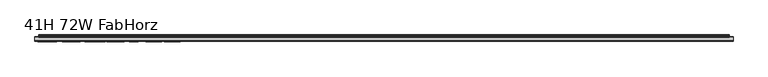
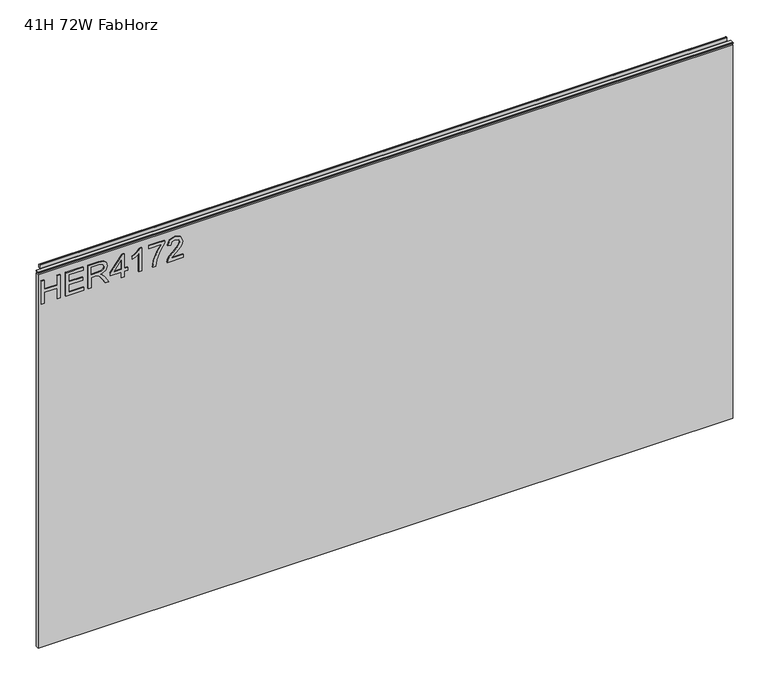
"""IFC4 building model written with IfcOpenShell, lengths in millimetres: furniture geometry, 41H 72W FabHorz."""

import ifcopenshell
import ifcopenshell.guid

model = None  # the IFC model being written
_history = None  # IfcOwnerHistory: only IFC2X3 demands one
_inside = {}  # id of a spatial element -> (the spatial element, [elements in it])
_under = {}  # id of a project, library or spatial element -> (it, [spatial elements below it])
_declared = {}  # id of a project -> (the project, [libraries it declares])
_typed = {}  # id of a type object -> (the type object, [elements of that type])
_made_of = {}  # id of a material, layer set ... -> (it, [elements and type objects made of it])


def new_model(schema):
    """Start an empty IFC model of exactly this schema.

    Asked for "IFC4X3", IfcOpenShell would pick the latest addendum, in which some entities
    have other attributes; the version numbers below select the first issue.
    IFC2X3 requires an IfcOwnerHistory on every rooted entity: one is made here for all.
    """
    global model, _history
    if schema == "IFC4X3":
        model = ifcopenshell.file(schema_version=(4, 3, 0, 0))
    else:
        model = ifcopenshell.file(schema=schema)
    _inside.clear()
    _under.clear()
    _declared.clear()
    _typed.clear()
    _made_of.clear()
    _history = None
    if model.schema == "IFC2X3":
        org = make("IfcOrganization", Name="unknown")
        user = make(
            "IfcPersonAndOrganization",
            ThePerson=make("IfcPerson", FamilyName="unknown"),
            TheOrganization=org,
        )
        app = make(
            "IfcApplication",
            ApplicationDeveloper=org,
            Version="unknown",
            ApplicationFullName="unknown",
            ApplicationIdentifier="unknown",
        )
        _history = make(
            "IfcOwnerHistory",
            OwningUser=user,
            OwningApplication=app,
            ChangeAction="ADDED",
            CreationDate=0,
        )
    return model


def make(cls, **values):
    """One entity of the class cls with the attributes given. An attribute that is None is left unset."""
    return model.create_entity(
        cls, **{name: value for name, value in values.items() if value is not None}
    )


def rooted(cls, **values):
    """An entity with a GlobalId (a new one), such as an element, a storey or a relation."""
    return make(cls, GlobalId=ifcopenshell.guid.new(), OwnerHistory=_history, **values)


def si_unit(unit_type, name, prefix=None):
    """IfcSIUnit, for example si_unit("LENGTHUNIT", "METRE", prefix="MILLI")."""
    return make("IfcSIUnit", UnitType=unit_type, Prefix=prefix, Name=name)


def assignment(units):
    """IfcUnitAssignment: the units of a project."""
    return None if units is None else make("IfcUnitAssignment", Units=units)


def point(xyz):
    """IfcCartesianPoint."""
    return None if xyz is None else make("IfcCartesianPoint", Coordinates=xyz)


def direction(xyz):
    """IfcDirection."""
    return None if xyz is None else make("IfcDirection", DirectionRatios=xyz)


def frame(location, z_axis=None, x_axis=None):
    """IfcAxis2Placement3D, a coordinate frame: its origin and axes. An axis left out is left unset."""
    return make(
        "IfcAxis2Placement3D",
        Location=point(location),
        Axis=direction(z_axis),
        RefDirection=direction(x_axis),
    )


def origin():
    """The frame at (0, 0, 0) with its axes left unset."""
    return frame((0.0, 0.0, 0.0))


def place(relative_to, where):
    """IfcLocalPlacement: puts the frame where relative to a parent placement (None: the world)."""
    return make(
        "IfcLocalPlacement", PlacementRelTo=relative_to, RelativePlacement=where
    )


def context(
    kind, dimensions, precision=None, world=None, true_north=None, identifier=None
):
    """IfcGeometricRepresentationContext, for example the 3D "Model" context."""
    return make(
        "IfcGeometricRepresentationContext",
        ContextIdentifier=identifier,
        ContextType=kind,
        CoordinateSpaceDimension=dimensions,
        Precision=precision,
        WorldCoordinateSystem=world,
        TrueNorth=true_north,
    )


def project(units=None, contexts=None):
    """IfcProject with its units and contexts."""
    return rooted(
        "IfcProject",
        Name="project",
        RepresentationContexts=contexts,
        UnitsInContext=assignment(units),
    )


def spatial(cls, under=None, at=None, **own):
    """A site, building, storey or space (cls), placed at a placement, below another one or the project."""
    s = rooted(cls, ObjectPlacement=at, **own)
    if under is not None:
        _under.setdefault(under.id(), (under, []))[1].append(s)
    return s


def polyline(points):
    """IfcPolyline through the points."""
    return make("IfcPolyline", Points=[point(p) for p in points])


def outline(outer, holes=None, kind="AREA"):
    """IfcArbitraryClosedProfileDef: a profile drawn as a closed curve; with holes, ...WithVoids."""
    if holes is None:
        return make("IfcArbitraryClosedProfileDef", ProfileType=kind, OuterCurve=outer)
    return make(
        "IfcArbitraryProfileDefWithVoids",
        ProfileType=kind,
        OuterCurve=outer,
        InnerCurves=holes,
    )


def extrude(swept, where, along, depth):
    """IfcExtrudedAreaSolid: the profile swept, set in the frame where, extruded along a direction by depth."""
    return make(
        "IfcExtrudedAreaSolid",
        SweptArea=swept,
        Position=where,
        ExtrudedDirection=direction(along),
        Depth=depth,
    )


def shape(context_of_items, identifier, shape_type, items):
    """IfcShapeRepresentation: the items that make up one representation, for example the "Body"."""
    return make(
        "IfcShapeRepresentation",
        ContextOfItems=context_of_items,
        RepresentationIdentifier=identifier,
        RepresentationType=shape_type,
        Items=items,
    )


def source(mapping_origin, context_of_items, identifier, shape_type, items):
    """IfcRepresentationMap: a shape defined once, which mapped items show again and again."""
    return make(
        "IfcRepresentationMap",
        MappingOrigin=mapping_origin,
        MappedRepresentation=shape(context_of_items, identifier, shape_type, items),
    )


def transform(
    local_origin,
    x_axis=None,
    y_axis=None,
    z_axis=None,
    scale=None,
    scale2=None,
    scale3=None,
    uniform=True,
):
    """IfcCartesianTransformationOperator3D, or its non-uniform kind. x_axis, y_axis, z_axis: its Axis1, 2, 3."""
    if uniform:
        return make(
            "IfcCartesianTransformationOperator3D",
            Axis1=direction(x_axis),
            Axis2=direction(y_axis),
            LocalOrigin=point(local_origin),
            Scale=scale,
            Axis3=direction(z_axis),
        )
    return make(
        "IfcCartesianTransformationOperator3DnonUniform",
        Axis1=direction(x_axis),
        Axis2=direction(y_axis),
        LocalOrigin=point(local_origin),
        Scale=scale,
        Axis3=direction(z_axis),
        Scale2=scale2,
        Scale3=scale3,
    )


def mapped(mapping_source, mapping_target):
    """IfcMappedItem: shows the shape of a source again, moved by a transform."""
    return make(
        "IfcMappedItem", MappingSource=mapping_source, MappingTarget=mapping_target
    )


def made_of(thing, what):
    """Note that an element or type object is made of a material, layer set ...; save() writes the relation."""
    if what is not None:
        _made_of.setdefault(what.id(), (what, []))[1].append(thing)
    return thing


def element(
    cls,
    number,
    at=None,
    inside=None,
    cuts=None,
    type_object=None,
    material=None,
    context=None,
    identifier="Body",
    shape_type=None,
    held_by="IfcProductDefinitionShape",
    body=None,
    shapes=None,
    **own,
):
    """One element of the class cls, such as IfcWall. Its Tag is "e" and its number.

    at: its placement. inside: the storey or other place that contains it. cuts: it is an
    opening in that element (IfcRelVoidsElement). A single representation is given by context,
    identifier, shape_type and body (its items); several are given by shapes. held_by: the class
    of the entity that holds the representations. save() writes the other relations.
    """
    e = rooted(cls, Tag="e%d" % number, ObjectPlacement=at, **own)
    if body is not None:
        shapes = [shape(context, identifier, shape_type, body)]
    if shapes is not None:
        e.Representation = make(held_by, Representations=shapes)
    if inside is not None:
        _inside.setdefault(inside.id(), (inside, []))[1].append(e)
    if cuts is not None:
        rooted(
            "IfcRelVoidsElement", RelatingBuildingElement=cuts, RelatedOpeningElement=e
        )
    if type_object is not None:
        _typed.setdefault(type_object.id(), (type_object, []))[1].append(e)
    return made_of(e, material)


def aggregate(whole, parts):
    """IfcRelAggregates: a whole, such as a stair, and the parts it consists of."""
    return rooted("IfcRelAggregates", RelatingObject=whole, RelatedObjects=parts)


def save(model, path):
    """Write the relations noted so far, then the file.

    IfcRelAggregates (storeys below a building ...), IfcRelContainedInSpatialStructure (elements
    in a storey), IfcRelDefinesByType, IfcRelAssociatesMaterial and IfcRelDeclares: one each for
    every whole, place, type object, material and project.
    """
    for whole, parts in _under.values():
        aggregate(whole, parts)
    for where, things in _inside.values():
        rooted(
            "IfcRelContainedInSpatialStructure",
            RelatedElements=things,
            RelatingStructure=where,
        )
    for kind, things in _typed.values():
        rooted("IfcRelDefinesByType", RelatedObjects=things, RelatingType=kind)
    for what, things in _made_of.values():
        rooted("IfcRelAssociatesMaterial", RelatedObjects=things, RelatingMaterial=what)
    for by, libraries in _declared.values():
        rooted("IfcRelDeclares", RelatingContext=by, RelatedDefinitions=libraries)
    model.write(path)


def furniture_41h_72w_fabhorz_261c20d4(model_context):
    return source(origin(), model_context, "Body", "SweptSolid", [
        extrude(outline(polyline([(1053.0078, -291.2189953), (1053.0078, -283.2452757), (1082.9092486, -283.2452757), (1082.9092486, -249.3569673), (1053.0078, -249.3569673), (1053.0078, -241.3832477), (1116.7975569, -241.3832477), (1116.7975569, -249.3569673), (1090.8829682, -249.3569673), (1090.8829682, -283.2452757), (1116.7975569, -283.2452757), (1116.7975569, -291.2189953), (1053.0078, -291.2189953)])), frame((0.0, -5.5562439, 0.0), z_axis=(0.0, 1.0, 0.0), x_axis=(0.0, 0.0, 1.0)), (0.0, 0.0, 1.0), 2.38125),
        extrude(outline(polyline([(1053.0078, -227.4292384), (1053.0078, -180.5836356), (1060.9815196, -180.5836356), (1060.9815196, -219.4555188), (1081.9125336, -219.4555188), (1081.9125336, -183.5737805), (1089.8862532, -183.5737805), (1089.8862532, -219.4555188), (1108.8238373, -219.4555188), (1108.8238373, -181.5803506), (1116.7975569, -181.5803506), (1116.7975569, -227.4292384), (1053.0078, -227.4292384)])), frame((0.0, -5.5562439, 0.0), z_axis=(0.0, 1.0, 0.0), x_axis=(0.0, 0.0, 1.0)), (0.0, 0.0, 1.0), 2.38125),
        extrude(outline(polyline([(1053.0078, -168.6230562), (1053.0078, -160.6493366), (1080.9158187, -160.6493366), (1080.9158187, -151.0248078), (1080.6354926, -146.3994275), (1079.1170596, -142.6072386), (1074.98225, -138.3945605), (1066.2298468, -132.3986972), (1053.0078, -124.0979304), (1053.0078, -114.8315961), (1070.294575, -125.4684135), (1078.5018996, -131.931487), (1081.9125336, -136.4634253), (1087.8461023, -123.1090023), (1099.3394716, -118.7873086), (1108.9873609, -121.3958985), (1115.0766663, -128.3729032), (1116.7975569, -141.1355267), (1116.7975569, -168.6230562), (1053.0078, -168.6230562)]), holes=[polyline([(1088.8895383, -160.6493366), (1108.8238373, -160.6493366), (1108.8238373, -140.7929059), (1106.0672975, -130.132728), (1099.0435719, -126.7610282), (1093.6317211, -128.5286399), (1090.0186294, -133.6990987), (1088.8895383, -142.8019095), (1088.8895383, -160.6493366)])]), frame((0.0, -5.5562439, 0.0), z_axis=(0.0, 1.0, 0.0), x_axis=(0.0, 0.0, 1.0)), (0.0, 0.0, 1.0), 2.38125),
        extrude(outline(polyline([(1053.0078, -81.9088554), (1053.0078, -73.9351357), (1067.9585243, -73.9351357), (1067.9585243, -65.9614161), (1075.9322439, -65.9614161), (1075.9322439, -73.9351357), (1115.800842, -73.9351357), (1115.800842, -79.9154255), (1075.9322439, -110.813589), (1067.9585243, -110.813589), (1067.9585243, -81.9088554), (1053.0078, -81.9088554)]), holes=[polyline([(1075.9322439, -81.9088554), (1075.9322439, -101.0021762), (1100.5697916, -81.9088554), (1075.9322439, -81.9088554)])]), frame((0.0, -5.5562439, 0.0), z_axis=(0.0, 1.0, 0.0), x_axis=(0.0, 0.0, 1.0)), (0.0, 0.0, 1.0), 2.38125),
        extrude(outline(polyline([(1053.0078, -29.0829629), (1116.7975569, -29.0829629), (1116.7975569, -34.2222744), (1108.3099062, -41.3160816), (1100.8501177, -53.0041217), (1093.3124609, -53.0041217), (1097.3382549, -44.609913), (1102.7189582, -37.0566825), (1053.0078, -37.0566825), (1053.0078, -29.0829629)])), frame((0.0, -5.5562439, 0.0), z_axis=(0.0, 1.0, 0.0), x_axis=(0.0, 0.0, 1.0)), (0.0, 0.0, 1.0), 2.38125),
        extrude(outline(polyline([(1107.8271224, -10.1453788), (1107.8271224, 23.7429296), (1091.3268178, 11.6889081), (1070.9953902, 2.9910128), (1053.0078, -0.1782293), (1053.0078, 7.7954903), (1070.341296, 10.7544879), (1092.1989434, 19.841725), (1109.3533421, 31.7166492), (1115.800842, 31.7166492), (1115.800842, -10.1453788), (1107.8271224, -10.1453788)])), frame((0.0, -5.5562439, 0.0), z_axis=(0.0, 1.0, 0.0), x_axis=(0.0, 0.0, 1.0)), (0.0, 0.0, 1.0), 2.38125),
        extrude(outline(polyline([(1060.9815196, 79.5589669), (1060.9815196, 48.2403143), (1065.0384609, 51.8378323), (1072.708494, 61.0107246), (1083.6334243, 72.4340124), (1091.4514072, 77.1450479), (1099.0124245, 78.562252), (1111.6893928, 73.306138), (1116.7975569, 59.0328684), (1112.203324, 44.8063198), (1098.8566878, 38.6936539), (1097.8599729, 46.6673735), (1105.9115608, 50.0234996), (1108.8238373, 58.861558), (1105.8414793, 67.3414219), (1098.5296407, 70.5885323), (1089.4969115, 67.146751), (1076.21257, 53.3796257), (1066.9695962, 43.3969025), (1058.5053059, 38.5534908), (1053.0078, 37.6969389), (1053.0078, 79.5589669), (1060.9815196, 79.5589669)])), frame((0.0, -5.5562439, 0.0), z_axis=(0.0, 1.0, 0.0), x_axis=(0.0, 0.0, 1.0)), (0.0, 0.0, 1.0), 2.38125),
        extrude(outline(polyline([(5.5562561, 1143.0), (6.3500061, 1143.0), (6.3500061, 1152.87425), (7.1437561, 1153.668), (8.6677569, 1153.668), (10.0084363, 1153.2506926), (10.875413, 1152.1461816), (10.9623604, 1150.7447591), (10.2390011, 1147.7863459), (10.4046103, 1146.5833307), (11.6746103, 1144.3836103), (10.7786383, 1143.8663244), (7.1437561, 1143.8663244), (7.1437561, 1143.0), (6.3500061, 1142.7669239), (6.3500061, 1135.5578), (5.5562561, 1135.5578), (5.5562561, 1143.0)])), frame((-288.671, 0.0, 0.0), z_axis=(1.0, 0.0, 0.0), x_axis=(0.0, 1.0, 0.0)), (0.0, 0.0, 1.0), 1796.542),
        extrude(outline(polyline([(5.5562561, 1143.0), (5.5562561, 1139.8249996), (-3.975094, 1139.8249996), (-5.3492339, 1140.6183657), (-5.3492339, 1142.2066395), (-3.9751037, 1143.0), (5.5562561, 1143.0)])), frame((-298.196, 0.0, 0.0), z_axis=(1.0, 0.0, 0.0), x_axis=(0.0, 1.0, 0.0)), (0.0, 0.0, 1.0), 1815.592),
        extrude(outline(polyline([(1517.396, 6.3500061), (1517.396, -3.1749939), (-298.196, -3.1749939), (-298.196, 6.3500061), (1517.396, 6.3500061)])), frame((0.0, 0.0, 102.4381927), z_axis=(0.0, 0.0, 1.0), x_axis=(1.0, 0.0, 0.0)), (0.0, 0.0, 1.0), 1033.1196073),
    ])


if __name__ == "__main__":
    model = new_model("IFC4")
    model_context = context("Model", 3, world=origin())
    ifc_project = project(units=[si_unit("LENGTHUNIT", "METRE", prefix="MILLI")], contexts=[model_context])
    site = spatial("IfcSite", under=ifc_project)
    building = spatial("IfcBuilding", under=site)
    placement = place(None, origin())
    furniture_41h_72w_fabhorz_shape = furniture_41h_72w_fabhorz_261c20d4(model_context)
    element("IfcFurniture", 1, ObjectType="41H 72W FabHorz", at=placement, inside=building, context=model_context, shape_type="MappedRepresentation", body=[
        mapped(furniture_41h_72w_fabhorz_shape, transform((0.0, 0.0, 0.0), x_axis=(1.0, 0.0, 0.0), y_axis=(0.0, 1.0, 0.0), z_axis=(0.0, 0.0, 1.0))),
    ])
    save(model, "model.ifc")
